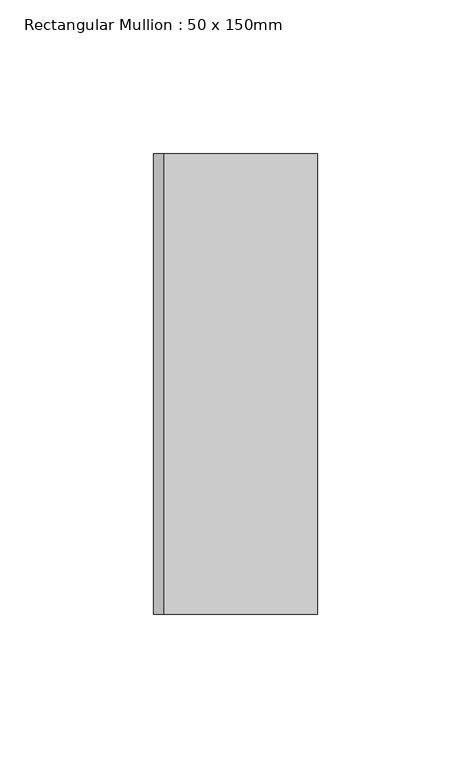
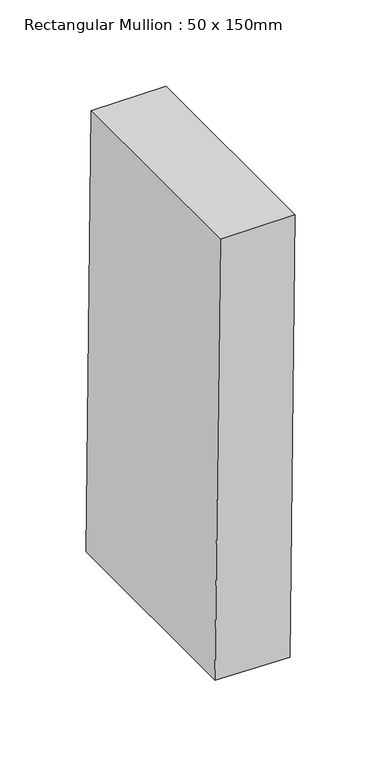
"""IFC4 building model written with IfcOpenShell, lengths in millimetres: member geometry, Rectangular Mullion : 50 x 150mm."""

from ifc_helpers import new_model, si_unit, point, frame, frame_2d, origin, place, context, project, spatial, polyline, circle_curve, trimmed, segment, composite_curve, outline, extrude, source, transform, mapped, element, save


def rectangular_mullion_50_x_150mm_9372651e(model_context):
    return source(origin(), model_context, "Body", "SweptSolid", [
        extrude(outline(composite_curve([segment(trimmed(circle_curve(frame_2d((0.0, -13869.9628559)), 13869.9628559), [point((-312.2164295, -3.5144813))], [point((0.0, 0.0))], False, "CARTESIAN"), True, "CONTINUOUS"), segment(polyline([(0.0, 0.0), (0.0, -50.0)]), True, "CONTINUOUS"), segment(trimmed(circle_curve(frame_2d((0.0, -13869.9628559)), 13819.9628559), [point((0.0, -50.0))], [point((-311.0909167, -53.5018119))], True, "CARTESIAN"), True, "CONTINUOUS"), segment(polyline([(-311.0909167, -53.5018119), (-312.2164295, -3.5144813)]), True, "CONTINUOUS")], self_intersect=False)), frame((0.0, -75.0, 0.0), z_axis=(0.0, 1.0, 0.0), x_axis=(0.0, 0.0, 1.0)), (0.0, 0.0, 1.0), 150.0),
    ])


if __name__ == "__main__":
    model = new_model("IFC4")
    model_context = context("Model", 3, world=origin())
    ifc_project = project(units=[si_unit("LENGTHUNIT", "METRE", prefix="MILLI")], contexts=[model_context])
    site = spatial("IfcSite", under=ifc_project)
    building = spatial("IfcBuilding", under=site)
    placement = place(None, origin())
    rectangular_mullion_50_x_150mm_shape = rectangular_mullion_50_x_150mm_9372651e(model_context)
    element("IfcMember", 1, ObjectType="Rectangular Mullion : 50 x 150mm", at=placement, inside=building, context=model_context, shape_type="MappedRepresentation", body=[
        mapped(rectangular_mullion_50_x_150mm_shape, transform((0.0, 0.0, 0.0), x_axis=(1.0, 0.0, 0.0), y_axis=(0.0, 1.0, 0.0), z_axis=(0.0, 0.0, 1.0))),
    ])
    save(model, "model.ifc")
